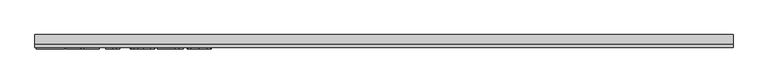
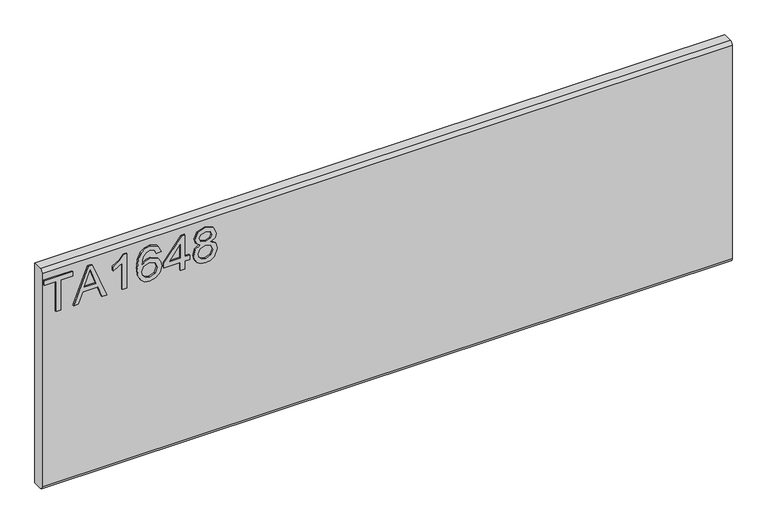
"""IFC4 building model written with IfcOpenShell, lengths in millimetres: furniture geometry."""

from ifc_helpers import new_model, si_unit, frame, origin, place, context, project, spatial, polyline, circle_curve, outline, extrude, source, transform, mapped, element, save
from ifc_brep_helpers import plane_surface, cylinder_surface, advanced_brep


def furniture_4bbe6f34(model_context):
    return source(origin(), model_context, "Body", "SolidModel", [
        extrude(outline(polyline([(882.65, -580.3255561), (882.65, -572.3518365), (938.4660373, -572.3518365), (938.4660373, -551.4208225), (946.4397569, -551.4208225), (946.4397569, -601.2565701), (938.4660373, -601.2565701), (938.4660373, -580.3255561), (882.65, -580.3255561)])), frame((0.0, -15.0812439, 0.0), z_axis=(0.0, 1.0, 0.0), x_axis=(0.0, 0.0, 1.0)), (0.0, 0.0, 1.0), 2.38125),
        extrude(outline(polyline([(882.65, -549.879029), (882.65, -541.453673), (902.584299, -534.1651949), (902.584299, -507.8924117), (882.65, -500.5883599), (882.65, -492.1630038), (946.4397569, -517.6259561), (946.4397569, -524.4160767), (882.65, -549.879029)]), holes=[polyline([(910.5580187, -531.2373447), (927.6111885, -524.9923026), (938.4660373, -521.0210164), (926.2407055, -516.5513728), (910.5580187, -510.8046882), (910.5580187, -531.2373447)])]), frame((0.0, -15.0812439, 0.0), z_axis=(0.0, 1.0, 0.0), x_axis=(0.0, 0.0, 1.0)), (0.0, 0.0, 1.0), 2.38125),
        extrude(outline(polyline([(882.65, -456.732902), (946.4397569, -456.732902), (946.4397569, -461.8722135), (937.9521062, -468.9660207), (930.4923177, -480.6540609), (922.9546609, -480.6540609), (926.9804549, -472.2598521), (932.3611582, -464.7066216), (882.65, -464.7066216), (882.65, -456.732902)])), frame((0.0, -15.0812439, 0.0), z_axis=(0.0, 1.0, 0.0), x_axis=(0.0, 0.0, 1.0)), (0.0, 0.0, 1.0), 2.38125),
        extrude(outline(polyline([(929.4956028, -396.9300049), (941.938966, -402.8168526), (946.4397569, -415.4159525), (944.6215308, -424.6706066), (939.1668525, -431.8150282), (928.3081103, -437.0477817), (912.4268592, -438.7920329), (898.3015395, -437.2210388), (888.8171738, -432.5080566), (883.4442572, -425.303287), (881.653285, -416.2569308), (884.355317, -405.8069974), (892.1421526, -398.5652403), (903.1449512, -395.9332899), (911.3172351, -397.3310269), (917.8309231, -401.5242379), (923.515313, -415.0733317), (921.4362279, -423.7868007), (915.0743833, -430.8183133), (929.2853582, -428.5523441), (936.5349021, -423.109346), (938.4660373, -415.91431), (935.1488454, -407.9250167), (928.4988878, -404.9037245), (929.4956028, -396.9300049)]), holes=[polyline([(903.2695406, -430.8183133), (912.15432, -426.854814), (915.5415934, -417.2069247), (912.15432, -407.4344461), (902.8801988, -403.9070095), (893.1933754, -407.4811671), (889.6270047, -416.8798776), (891.3478953, -424.0671268), (896.3626174, -428.9728332), (903.2695406, -430.8183133)])]), frame((0.0, -15.0812439, 0.0), z_axis=(0.0, 1.0, 0.0), x_axis=(0.0, 0.0, 1.0)), (0.0, 0.0, 1.0), 2.38125),
        extrude(outline(polyline([(882.65, -363.0416965), (882.65, -355.0679769), (897.6007243, -355.0679769), (897.6007243, -347.0942573), (905.5744439, -347.0942573), (905.5744439, -355.0679769), (945.443042, -355.0679769), (945.443042, -361.0482666), (905.5744439, -391.9464301), (897.6007243, -391.9464301), (897.6007243, -363.0416965), (882.65, -363.0416965)]), holes=[polyline([(905.5744439, -363.0416965), (905.5744439, -382.1350173), (930.2119916, -363.0416965), (905.5744439, -363.0416965)])]), frame((0.0, -15.0812439, 0.0), z_axis=(0.0, 1.0, 0.0), x_axis=(0.0, 0.0, 1.0)), (0.0, 0.0, 1.0), 2.38125),
        extrude(outline(polyline([(917.7842021, -328.4992939), (911.9907964, -337.0959604), (901.4318474, -340.1172526), (893.6742125, -338.676688), (887.3143145, -334.3549943), (883.0685424, -327.6816762), (881.653285, -319.1862386), (883.0627023, -310.690801), (887.290954, -304.0174829), (901.213816, -298.2552246), (911.5313731, -301.1597143), (917.7842021, -309.6395782), (922.713269, -302.5769183), (930.2275653, -300.2486545), (941.7209346, -305.481408), (946.4397569, -319.2952543), (941.8299503, -332.9845112), (930.4455967, -338.1238227), (922.7366295, -335.7644115), (917.7842021, -328.4992939)]), holes=[polyline([(930.2119916, -330.1501031), (936.0365446, -327.2767608), (938.4660373, -319.1862386), (935.9820368, -311.119077), (929.8537972, -308.2223741), (923.9358022, -311.0256349), (921.5218831, -319.0927966), (923.9513758, -327.3234818), (930.2119916, -330.1501031)]), polyline([(901.7121735, -332.143533), (910.1686769, -328.7718332), (913.5481635, -319.3886963), (910.1219559, -309.7330202), (901.4629947, -306.2289442), (892.9675571, -309.6240045), (889.6270047, -319.1239439), (891.2155191, -326.1009486), (895.7085232, -330.8119841), (901.7121735, -332.143533)])]), frame((0.0, -15.0812439, 0.0), z_axis=(0.0, 1.0, 0.0), x_axis=(0.0, 0.0, 1.0)), (0.0, 0.0, 1.0), 2.38125),
        advanced_brep(
        [(603.25, 9.5250061, 965.2), (603.25, -6.7309939, 965.2), (603.25, -12.6999939, 959.231), (603.25, -12.6999939, 564.769), (603.25, -6.7309939, 558.8), (603.25, 9.5250061, 558.8), (-603.25, 9.5250061, 965.2), (-603.25, 9.5250061, 558.8), (-603.25, -6.7309939, 558.8), (-603.25, -12.6999939, 564.769), (-603.25, -12.6999939, 959.2310121), (-603.25, -6.7309939, 965.2)],
        [
            (0, 1),
            (1, 2, circle_curve(frame((603.25, -6.7309939, 959.231), z_axis=(1.0, 0.0, 0.0), x_axis=(0.0, 1.0, 0.0)), 5.969)),
            (2, 3),
            (3, 4, circle_curve(frame((603.25, -6.7309939, 564.769), z_axis=(1.0, 0.0, 0.0), x_axis=(0.0, 1.0, 0.0)), 5.969)),
            (4, 5),
            (5, 0),
            (6, 7),
            (7, 8),
            (8, 9, circle_curve(frame((-603.25, -6.7309939, 564.769), z_axis=(-1.0, 0.0, 0.0), x_axis=(0.0, 1.0, 0.0)), 5.969)),
            (9, 10),
            (10, 11, circle_curve(frame((-603.25, -6.7309939, 959.231), z_axis=(-1.0, 0.0, 0.0), x_axis=(0.0, 1.0, 0.0)), 5.969)),
            (11, 6),
            (0, 6),
            (11, 1),
            (10, 2),
            (9, 3),
            (8, 4),
            (7, 5),
        ],
        [
            plane_surface(frame((603.25, -6.7309939, 965.2), z_axis=(1.0, 0.0, 0.0), x_axis=(0.0, -1.0, 0.0))),
            plane_surface(frame((-603.25, -6.7309939, 965.2), z_axis=(-1.0, 0.0, 0.0), x_axis=(0.0, 1.0, 0.0))),
            plane_surface(frame((603.25, 9.5250061, 965.2), z_axis=(0.0, 0.0, 1.0), x_axis=(-1.0, 0.0, 0.0))),
            cylinder_surface(frame((-603.25, -6.7309939, 959.231), z_axis=(1.0, 0.0, 0.0), x_axis=(0.0, 1.0, 0.0)), 5.969),
            plane_surface(frame((603.25, -12.6999939, 959.2310121), z_axis=(0.0, -1.0, 0.0), x_axis=(-1.0, 0.0, 0.0))),
            cylinder_surface(frame((-603.25, -6.7309939, 564.769), z_axis=(1.0, 0.0, 0.0), x_axis=(0.0, 1.0, 0.0)), 5.969),
            plane_surface(frame((603.25, -6.7309939, 558.8), z_axis=(0.0, 0.0, -1.0), x_axis=(-1.0, 0.0, 0.0))),
            plane_surface(frame((603.25, 9.5250061, 558.8), z_axis=(0.0, 1.0, 0.0), x_axis=(-1.0, 0.0, 0.0))),
        ],
        [
            (0, [[1, 2, 3, 4, 5, 6]]),
            (1, [[7, 8, 9, 10, 11, 12]]),
            (2, [[-1, 13, -12, 14]]),
            (3, [[-2, -14, -11, 15]]),
            (4, [[-3, -15, -10, 16]]),
            (5, [[-4, -16, -9, 17]]),
            (6, [[-5, -17, -8, 18]]),
            (7, [[-6, -18, -7, -13]]),
        ],
    ),
    ])


if __name__ == "__main__":
    model = new_model("IFC4")
    model_context = context("Model", 3, world=origin())
    ifc_project = project(units=[si_unit("LENGTHUNIT", "METRE", prefix="MILLI")], contexts=[model_context])
    site = spatial("IfcSite", under=ifc_project)
    building = spatial("IfcBuilding", under=site)
    placement = place(None, origin())
    furniture_shape = furniture_4bbe6f34(model_context)
    element("IfcFurniture", 1, at=placement, inside=building, context=model_context, shape_type="MappedRepresentation", body=[
        mapped(furniture_shape, transform((0.0, 0.0, 0.0), x_axis=(1.0, 0.0, 0.0), y_axis=(0.0, 1.0, 0.0), z_axis=(0.0, 0.0, 1.0))),
    ])
    save(model, "model.ifc")
